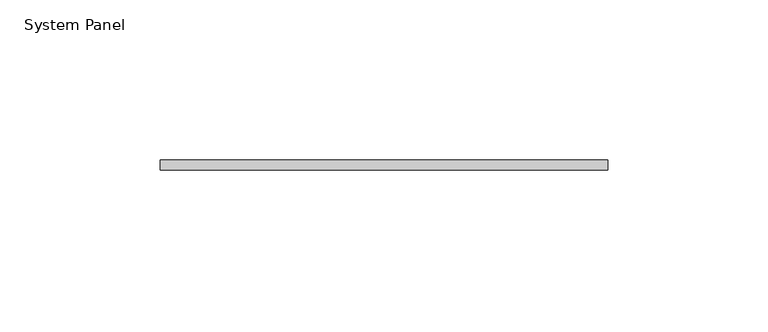
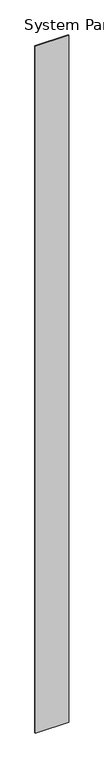
"""IFC4 building model written with IfcOpenShell, lengths in millimetres: plate geometry, System Panel."""

import ifcopenshell
import ifcopenshell.guid

model = None  # the IFC model being written
_history = None  # IfcOwnerHistory: only IFC2X3 demands one
_inside = {}  # id of a spatial element -> (the spatial element, [elements in it])
_under = {}  # id of a project, library or spatial element -> (it, [spatial elements below it])
_declared = {}  # id of a project -> (the project, [libraries it declares])
_typed = {}  # id of a type object -> (the type object, [elements of that type])
_made_of = {}  # id of a material, layer set ... -> (it, [elements and type objects made of it])


def new_model(schema):
    """Start an empty IFC model of exactly this schema.

    Asked for "IFC4X3", IfcOpenShell would pick the latest addendum, in which some entities
    have other attributes; the version numbers below select the first issue.
    IFC2X3 requires an IfcOwnerHistory on every rooted entity: one is made here for all.
    """
    global model, _history
    if schema == "IFC4X3":
        model = ifcopenshell.file(schema_version=(4, 3, 0, 0))
    else:
        model = ifcopenshell.file(schema=schema)
    _inside.clear()
    _under.clear()
    _declared.clear()
    _typed.clear()
    _made_of.clear()
    _history = None
    if model.schema == "IFC2X3":
        org = make("IfcOrganization", Name="unknown")
        user = make(
            "IfcPersonAndOrganization",
            ThePerson=make("IfcPerson", FamilyName="unknown"),
            TheOrganization=org,
        )
        app = make(
            "IfcApplication",
            ApplicationDeveloper=org,
            Version="unknown",
            ApplicationFullName="unknown",
            ApplicationIdentifier="unknown",
        )
        _history = make(
            "IfcOwnerHistory",
            OwningUser=user,
            OwningApplication=app,
            ChangeAction="ADDED",
            CreationDate=0,
        )
    return model


def make(cls, **values):
    """One entity of the class cls with the attributes given. An attribute that is None is left unset."""
    return model.create_entity(
        cls, **{name: value for name, value in values.items() if value is not None}
    )


def rooted(cls, **values):
    """An entity with a GlobalId (a new one), such as an element, a storey or a relation."""
    return make(cls, GlobalId=ifcopenshell.guid.new(), OwnerHistory=_history, **values)


def si_unit(unit_type, name, prefix=None):
    """IfcSIUnit, for example si_unit("LENGTHUNIT", "METRE", prefix="MILLI")."""
    return make("IfcSIUnit", UnitType=unit_type, Prefix=prefix, Name=name)


def assignment(units):
    """IfcUnitAssignment: the units of a project."""
    return None if units is None else make("IfcUnitAssignment", Units=units)


def point(xyz):
    """IfcCartesianPoint."""
    return None if xyz is None else make("IfcCartesianPoint", Coordinates=xyz)


def direction(xyz):
    """IfcDirection."""
    return None if xyz is None else make("IfcDirection", DirectionRatios=xyz)


def frame(location, z_axis=None, x_axis=None):
    """IfcAxis2Placement3D, a coordinate frame: its origin and axes. An axis left out is left unset."""
    return make(
        "IfcAxis2Placement3D",
        Location=point(location),
        Axis=direction(z_axis),
        RefDirection=direction(x_axis),
    )


def origin():
    """The frame at (0, 0, 0) with its axes left unset."""
    return frame((0.0, 0.0, 0.0))


def origin_with_axes():
    """The frame at (0, 0, 0) with the z axis (0, 0, 1) and the x axis (1, 0, 0) written out."""
    return frame((0.0, 0.0, 0.0), z_axis=(0.0, 0.0, 1.0), x_axis=(1.0, 0.0, 0.0))


def place(relative_to, where):
    """IfcLocalPlacement: puts the frame where relative to a parent placement (None: the world)."""
    return make(
        "IfcLocalPlacement", PlacementRelTo=relative_to, RelativePlacement=where
    )


def context(
    kind, dimensions, precision=None, world=None, true_north=None, identifier=None
):
    """IfcGeometricRepresentationContext, for example the 3D "Model" context."""
    return make(
        "IfcGeometricRepresentationContext",
        ContextIdentifier=identifier,
        ContextType=kind,
        CoordinateSpaceDimension=dimensions,
        Precision=precision,
        WorldCoordinateSystem=world,
        TrueNorth=true_north,
    )


def project(units=None, contexts=None):
    """IfcProject with its units and contexts."""
    return rooted(
        "IfcProject",
        Name="project",
        RepresentationContexts=contexts,
        UnitsInContext=assignment(units),
    )


def spatial(cls, under=None, at=None, **own):
    """A site, building, storey or space (cls), placed at a placement, below another one or the project."""
    s = rooted(cls, ObjectPlacement=at, **own)
    if under is not None:
        _under.setdefault(under.id(), (under, []))[1].append(s)
    return s


def polyline(points):
    """IfcPolyline through the points."""
    return make("IfcPolyline", Points=[point(p) for p in points])


def outline(outer, holes=None, kind="AREA"):
    """IfcArbitraryClosedProfileDef: a profile drawn as a closed curve; with holes, ...WithVoids."""
    if holes is None:
        return make("IfcArbitraryClosedProfileDef", ProfileType=kind, OuterCurve=outer)
    return make(
        "IfcArbitraryProfileDefWithVoids",
        ProfileType=kind,
        OuterCurve=outer,
        InnerCurves=holes,
    )


def extrude(swept, where, along, depth):
    """IfcExtrudedAreaSolid: the profile swept, set in the frame where, extruded along a direction by depth."""
    return make(
        "IfcExtrudedAreaSolid",
        SweptArea=swept,
        Position=where,
        ExtrudedDirection=direction(along),
        Depth=depth,
    )


def shape(context_of_items, identifier, shape_type, items):
    """IfcShapeRepresentation: the items that make up one representation, for example the "Body"."""
    return make(
        "IfcShapeRepresentation",
        ContextOfItems=context_of_items,
        RepresentationIdentifier=identifier,
        RepresentationType=shape_type,
        Items=items,
    )


def source(mapping_origin, context_of_items, identifier, shape_type, items):
    """IfcRepresentationMap: a shape defined once, which mapped items show again and again."""
    return make(
        "IfcRepresentationMap",
        MappingOrigin=mapping_origin,
        MappedRepresentation=shape(context_of_items, identifier, shape_type, items),
    )


def transform(
    local_origin,
    x_axis=None,
    y_axis=None,
    z_axis=None,
    scale=None,
    scale2=None,
    scale3=None,
    uniform=True,
):
    """IfcCartesianTransformationOperator3D, or its non-uniform kind. x_axis, y_axis, z_axis: its Axis1, 2, 3."""
    if uniform:
        return make(
            "IfcCartesianTransformationOperator3D",
            Axis1=direction(x_axis),
            Axis2=direction(y_axis),
            LocalOrigin=point(local_origin),
            Scale=scale,
            Axis3=direction(z_axis),
        )
    return make(
        "IfcCartesianTransformationOperator3DnonUniform",
        Axis1=direction(x_axis),
        Axis2=direction(y_axis),
        LocalOrigin=point(local_origin),
        Scale=scale,
        Axis3=direction(z_axis),
        Scale2=scale2,
        Scale3=scale3,
    )


def mapped(mapping_source, mapping_target):
    """IfcMappedItem: shows the shape of a source again, moved by a transform."""
    return make(
        "IfcMappedItem", MappingSource=mapping_source, MappingTarget=mapping_target
    )


def made_of(thing, what):
    """Note that an element or type object is made of a material, layer set ...; save() writes the relation."""
    if what is not None:
        _made_of.setdefault(what.id(), (what, []))[1].append(thing)
    return thing


def element(
    cls,
    number,
    at=None,
    inside=None,
    cuts=None,
    type_object=None,
    material=None,
    context=None,
    identifier="Body",
    shape_type=None,
    held_by="IfcProductDefinitionShape",
    body=None,
    shapes=None,
    **own,
):
    """One element of the class cls, such as IfcWall. Its Tag is "e" and its number.

    at: its placement. inside: the storey or other place that contains it. cuts: it is an
    opening in that element (IfcRelVoidsElement). A single representation is given by context,
    identifier, shape_type and body (its items); several are given by shapes. held_by: the class
    of the entity that holds the representations. save() writes the other relations.
    """
    e = rooted(cls, Tag="e%d" % number, ObjectPlacement=at, **own)
    if body is not None:
        shapes = [shape(context, identifier, shape_type, body)]
    if shapes is not None:
        e.Representation = make(held_by, Representations=shapes)
    if inside is not None:
        _inside.setdefault(inside.id(), (inside, []))[1].append(e)
    if cuts is not None:
        rooted(
            "IfcRelVoidsElement", RelatingBuildingElement=cuts, RelatedOpeningElement=e
        )
    if type_object is not None:
        _typed.setdefault(type_object.id(), (type_object, []))[1].append(e)
    return made_of(e, material)


def aggregate(whole, parts):
    """IfcRelAggregates: a whole, such as a stair, and the parts it consists of."""
    return rooted("IfcRelAggregates", RelatingObject=whole, RelatedObjects=parts)


def save(model, path):
    """Write the relations noted so far, then the file.

    IfcRelAggregates (storeys below a building ...), IfcRelContainedInSpatialStructure (elements
    in a storey), IfcRelDefinesByType, IfcRelAssociatesMaterial and IfcRelDeclares: one each for
    every whole, place, type object, material and project.
    """
    for whole, parts in _under.values():
        aggregate(whole, parts)
    for where, things in _inside.values():
        rooted(
            "IfcRelContainedInSpatialStructure",
            RelatedElements=things,
            RelatingStructure=where,
        )
    for kind, things in _typed.values():
        rooted("IfcRelDefinesByType", RelatedObjects=things, RelatingType=kind)
    for what, things in _made_of.values():
        rooted("IfcRelAssociatesMaterial", RelatedObjects=things, RelatingMaterial=what)
    for by, libraries in _declared.values():
        rooted("IfcRelDeclares", RelatingContext=by, RelatedDefinitions=libraries)
    model.write(path)


def system_panel_25601b04(model_context):
    return source(origin(), model_context, "Body", "SweptSolid", [
        extrude(outline(polyline([(69.85, -8.73125), (-69.85, -8.73125), (-69.85, -5.55625), (69.85, -5.55625), (69.85, -8.73125)])), origin_with_axes(), (0.0, 0.0, 1.0), 3048.0),
    ])


if __name__ == "__main__":
    model = new_model("IFC4")
    model_context = context("Model", 3, world=origin())
    ifc_project = project(units=[si_unit("LENGTHUNIT", "METRE", prefix="MILLI")], contexts=[model_context])
    site = spatial("IfcSite", under=ifc_project)
    building = spatial("IfcBuilding", under=site)
    placement = place(None, origin())
    system_panel_shape = system_panel_25601b04(model_context)
    element("IfcPlate", 1, ObjectType="System Panel", at=placement, inside=building, context=model_context, shape_type="MappedRepresentation", body=[
        mapped(system_panel_shape, transform((0.0, 0.0, 0.0), x_axis=(1.0, 0.0, 0.0), y_axis=(0.0, 1.0, 0.0), z_axis=(0.0, 0.0, 1.0))),
    ])
    save(model, "model.ifc")
